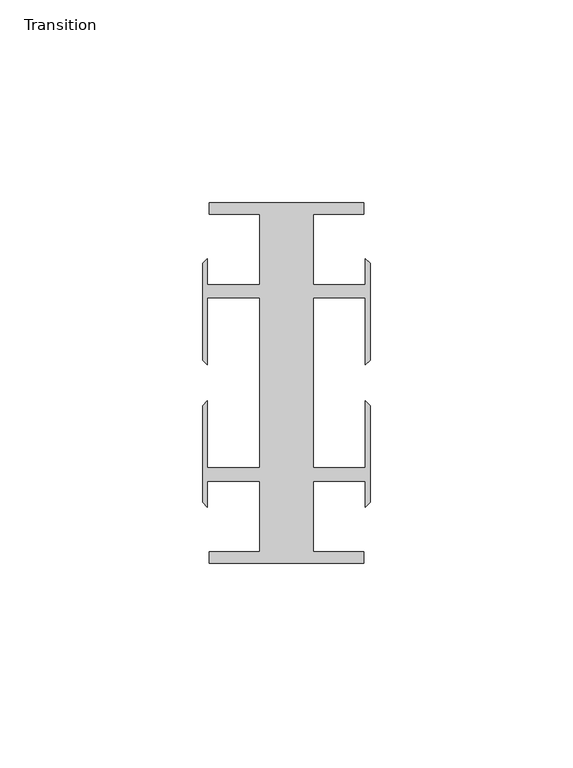
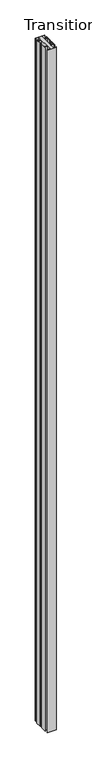
"""IFC4 building model written with IfcOpenShell, lengths in millimetres: furniture geometry, Transition."""

from ifc_helpers import new_model, si_unit, origin, origin_with_axes, place, context, project, spatial, polyline, outline, extrude, source, transform, mapped, element, save


def transition_a5d63a81(model_context):
    return source(origin(), model_context, "Body", "SweptSolid", [
        extrude(outline(polyline([(36.5771534, 57.1518064), (36.5771534, 39.7518058), (49.4695633, 39.7518058), (49.4695633, 46.1177636), (50.6146531, 44.9726737), (50.6146531, 21.086411), (49.4695633, 19.9413211), (49.4695633, 36.4518057), (36.5771534, 36.4518057), (36.5771534, -5.4481956), (49.4695633, -5.4481956), (49.4695633, 11.062289), (50.6146531, 9.9171991), (50.6146531, -13.9690637), (49.4695633, -15.1141535), (49.4695633, -8.7481957), (36.5771534, -8.7481957), (36.5771534, -26.1481963), (49.0271531, -26.1481963), (49.0271531, -28.948195), (10.9271531, -28.948195), (10.9271531, -26.1481963), (23.3771529, -26.1481963), (23.3771529, -8.7481957), (10.484743, -8.7481957), (10.484743, -15.1141535), (9.3396531, -13.9690637), (9.3396531, 9.9171991), (10.484743, 11.062289), (10.484743, -5.4481956), (23.3771529, -5.4481956), (23.3771529, 36.4518057), (10.484743, 36.4518057), (10.484743, 19.9413211), (9.3396531, 21.086411), (9.3396531, 44.9726737), (10.484743, 46.1177636), (10.484743, 39.7518058), (23.3771529, 39.7518058), (23.3771529, 57.1518064), (10.9271531, 57.1518064), (10.9271531, 59.951805), (49.0271531, 59.951805), (49.0271531, 57.1518064), (36.5771534, 57.1518064)])), origin_with_axes(), (0.0, 0.0, 1.0), 3048.0),
    ])


if __name__ == "__main__":
    model = new_model("IFC4")
    model_context = context("Model", 3, world=origin())
    ifc_project = project(units=[si_unit("LENGTHUNIT", "METRE", prefix="MILLI")], contexts=[model_context])
    site = spatial("IfcSite", under=ifc_project)
    building = spatial("IfcBuilding", under=site)
    placement = place(None, origin())
    transition_shape = transition_a5d63a81(model_context)
    element("IfcFurniture", 1, ObjectType="Transition", at=placement, inside=building, context=model_context, shape_type="MappedRepresentation", body=[
        mapped(transition_shape, transform((0.0, 0.0, 0.0), x_axis=(1.0, 0.0, 0.0), y_axis=(0.0, 1.0, 0.0), z_axis=(0.0, 0.0, 1.0))),
    ])
    save(model, "model.ifc")
